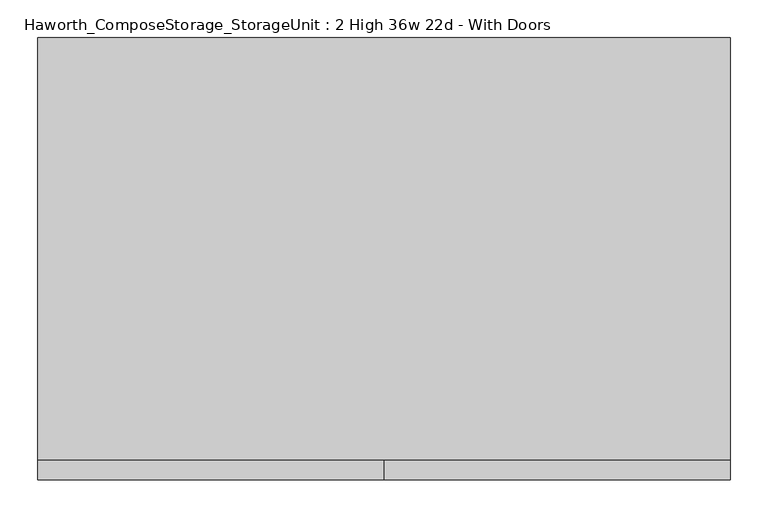
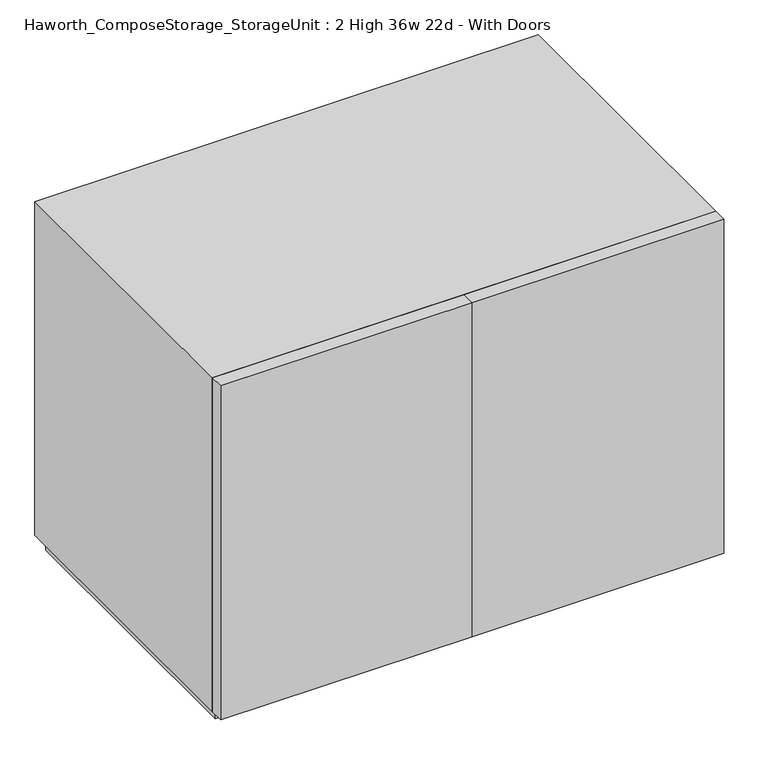
"""IFC4 building model written with IfcOpenShell, lengths in millimetres: furniture geometry, Haworth_ComposeStorage_StorageUnit : 2 High 36w 22d - With Doors."""

from ifc_helpers import new_model, si_unit, frame, origin, origin_with_axes, place, context, project, spatial, polyline, outline, extrude, source, transform, mapped, element, save


def haworth_composestorage_storageunit_2_high_36w_22d_with_doors_c405c20e(model_context):
    return source(origin(), model_context, "Body", "SweptSolid", [
        extrude(outline(polyline([(438.1569453, 295.275), (438.1569453, -228.6), (-438.1291641, -228.6), (-438.1291641, 295.275), (438.1569453, 295.275)])), frame((0.0, 0.0, 336.55), z_axis=(0.0, 0.0, 1.0), x_axis=(1.0, 0.0, 0.0)), (0.0, 0.0, 1.0), 19.05),
        extrude(outline(polyline([(0.0138906, -254.0), (0.0138906, -228.6), (457.2138906, -228.6), (457.2138906, -254.0), (0.0138906, -254.0)])), frame((0.0, 0.0, 25.4), z_axis=(0.0, 0.0, 1.0), x_axis=(1.0, 0.0, 0.0)), (0.0, 0.0, 1.0), 641.35),
        extrude(outline(polyline([(0.0138906, -254.0), (-457.1861094, -254.0), (-457.1861094, -228.6), (0.0138906, -228.6), (0.0138906, -254.0)])), frame((0.0, 0.0, 25.4), z_axis=(0.0, 0.0, 1.0), x_axis=(1.0, 0.0, 0.0)), (0.0, 0.0, 1.0), 641.35),
        extrude(outline(polyline([(25.4, -457.1861094), (25.4, 457.2138906), (666.75, 457.2138906), (666.75, -457.1861094), (25.4, -457.1861094)]), holes=[polyline([(44.45, -438.1361094), (647.7, -438.1361094), (647.7, 438.1569453), (44.45, 438.1569453), (44.45, -438.1361094)])]), frame((0.0, -228.6, 0.0), z_axis=(0.0, 1.0, 0.0), x_axis=(0.0, 0.0, 1.0)), (0.0, 0.0, 1.0), 558.8),
        extrude(outline(polyline([(-438.1291641, 295.275), (-438.1291641, 304.8), (438.1569453, 304.8), (438.1569453, 295.275), (-438.1291641, 295.275)])), frame((0.0, 0.0, 44.45), z_axis=(0.0, 0.0, 1.0), x_axis=(1.0, 0.0, 0.0)), (0.0, 0.0, 1.0), 603.25),
        extrude(outline(polyline([(444.5138906, -215.9), (-444.4861094, -215.9), (-444.4861094, 317.5), (444.5138906, 317.5), (444.5138906, -215.9)])), origin_with_axes(), (0.0, 0.0, 1.0), 25.4),
    ])


if __name__ == "__main__":
    model = new_model("IFC4")
    model_context = context("Model", 3, world=origin())
    ifc_project = project(units=[si_unit("LENGTHUNIT", "METRE", prefix="MILLI")], contexts=[model_context])
    site = spatial("IfcSite", under=ifc_project)
    building = spatial("IfcBuilding", under=site)
    placement = place(None, origin())
    haworth_composestorage_storageunit_2_high_36w_22d_with_doors_shape = haworth_composestorage_storageunit_2_high_36w_22d_with_doors_c405c20e(model_context)
    element("IfcFurniture", 1, ObjectType="Haworth_ComposeStorage_StorageUnit : 2 High 36w 22d - With Doors", at=placement, inside=building, context=model_context, shape_type="MappedRepresentation", body=[
        mapped(haworth_composestorage_storageunit_2_high_36w_22d_with_doors_shape, transform((0.0, 0.0, 0.0), x_axis=(1.0, 0.0, 0.0), y_axis=(0.0, 1.0, 0.0), z_axis=(0.0, 0.0, 1.0))),
    ])
    save(model, "model.ifc")
